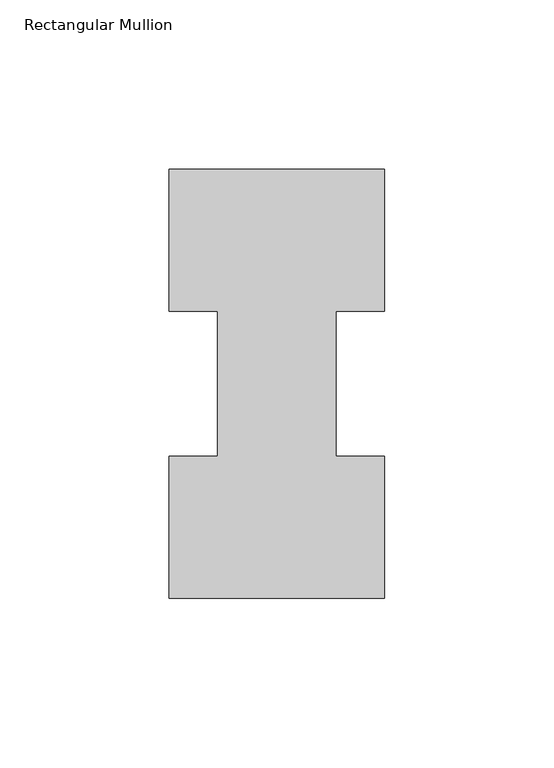
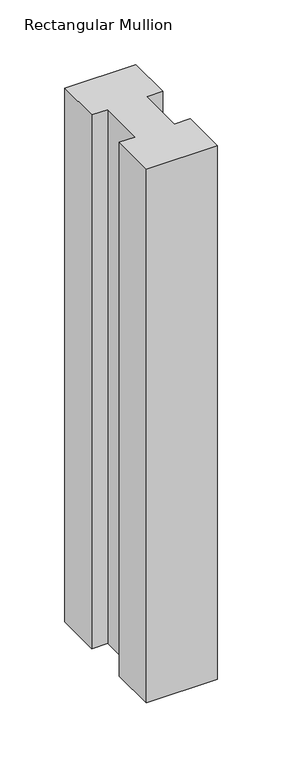
"""IFC4 building model written with IfcOpenShell, lengths in millimetres: member geometry, Rectangular Mullion."""

from ifc_helpers import new_model, si_unit, frame, origin, place, context, project, spatial, polyline, outline, extrude, source, transform, mapped, element, save


def rectangular_mullion_ae1ec216(model_context):
    return source(origin(), model_context, "Body", "SweptSolid", [
        extrude(outline(polyline([(-63.5, 0.2967757), (-63.5, 42.1178757), (-49.2125, 42.1178757), (-49.2125, 84.93125), (-63.5, 84.93125), (-63.5, 126.7887757), (0.0, 126.7887757), (0.0, 84.93125), (-14.2748, 84.93125), (-14.2748, 42.1178757), (0.0, 42.1178757), (0.0, 0.2967757), (-63.5, 0.2967757)])), frame((0.0, 0.0, -504.79325), z_axis=(0.0, 0.0, 1.0), x_axis=(1.0, 0.0, 0.0)), (0.0, 0.0, 1.0), 504.79325),
    ])


if __name__ == "__main__":
    model = new_model("IFC4")
    model_context = context("Model", 3, world=origin())
    ifc_project = project(units=[si_unit("LENGTHUNIT", "METRE", prefix="MILLI")], contexts=[model_context])
    site = spatial("IfcSite", under=ifc_project)
    building = spatial("IfcBuilding", under=site)
    placement = place(None, origin())
    rectangular_mullion_shape = rectangular_mullion_ae1ec216(model_context)
    element("IfcMember", 1, ObjectType="Rectangular Mullion", at=placement, inside=building, context=model_context, shape_type="MappedRepresentation", body=[
        mapped(rectangular_mullion_shape, transform((0.0, 0.0, 0.0), x_axis=(1.0, 0.0, 0.0), y_axis=(0.0, 1.0, 0.0), z_axis=(0.0, 0.0, 1.0))),
    ])
    save(model, "model.ifc")
